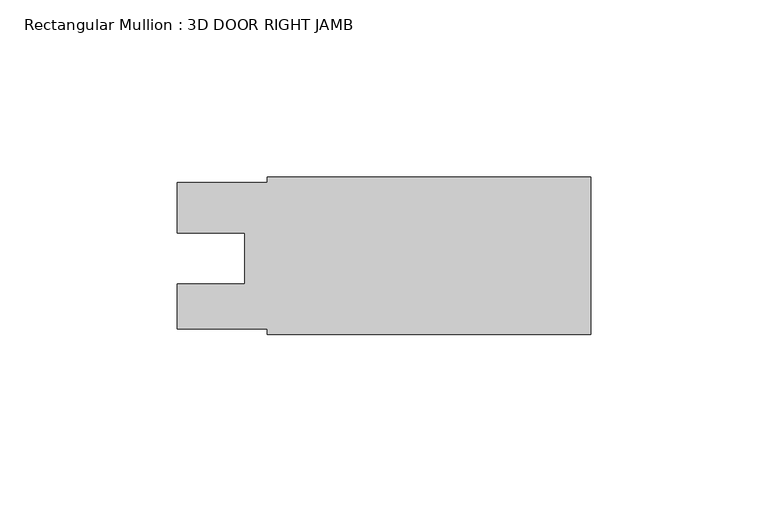
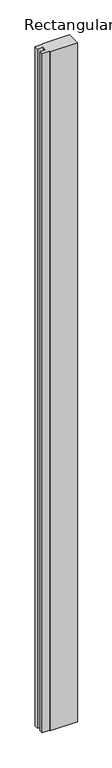
"""IFC4 building model written with IfcOpenShell, lengths in millimetres: member geometry, Rectangular Mullion : 3D DOOR RIGHT JAMB."""

from ifc_helpers import new_model, si_unit, frame, origin, place, context, project, spatial, polyline, outline, extrude, source, transform, mapped, element, save


def rectangular_mullion_3d_door_right_jamb_5f6a1ed9(model_context):
    return source(origin(), model_context, "Body", "SweptSolid", [
        extrude(outline(polyline([(0.0, 15.875), (-91.28125, 15.875), (-91.28125, 17.4752), (-116.68125, 17.4752), (-116.68125, 30.1879), (-97.6439509, 30.1879), (-97.6439509, 44.4754), (-116.68125, 44.4754), (-116.68125, 58.7374837), (-91.28125, 58.7374837), (-91.28125, 60.325), (0.0, 60.325), (0.0, 15.875)])), frame((0.0, 0.0, -2393.95), z_axis=(0.0, 0.0, 1.0), x_axis=(1.0, 0.0, 0.0)), (0.0, 0.0, 1.0), 2393.95),
    ])


if __name__ == "__main__":
    model = new_model("IFC4")
    model_context = context("Model", 3, world=origin())
    ifc_project = project(units=[si_unit("LENGTHUNIT", "METRE", prefix="MILLI")], contexts=[model_context])
    site = spatial("IfcSite", under=ifc_project)
    building = spatial("IfcBuilding", under=site)
    placement = place(None, origin())
    rectangular_mullion_3d_door_right_jamb_shape = rectangular_mullion_3d_door_right_jamb_5f6a1ed9(model_context)
    element("IfcMember", 1, ObjectType="Rectangular Mullion : 3D DOOR RIGHT JAMB", at=placement, inside=building, context=model_context, shape_type="MappedRepresentation", body=[
        mapped(rectangular_mullion_3d_door_right_jamb_shape, transform((0.0, 0.0, 0.0), x_axis=(1.0, 0.0, 0.0), y_axis=(0.0, 1.0, 0.0), z_axis=(0.0, 0.0, 1.0))),
    ])
    save(model, "model.ifc")
